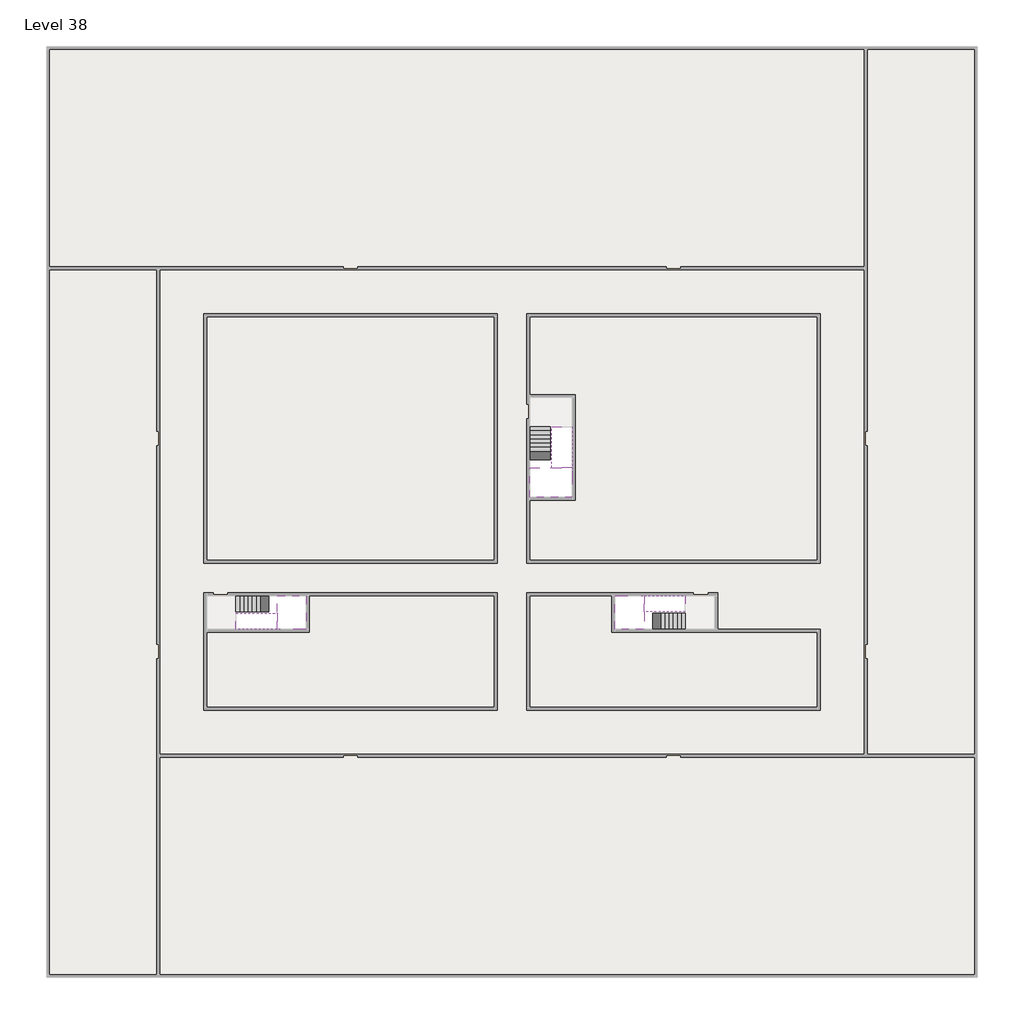
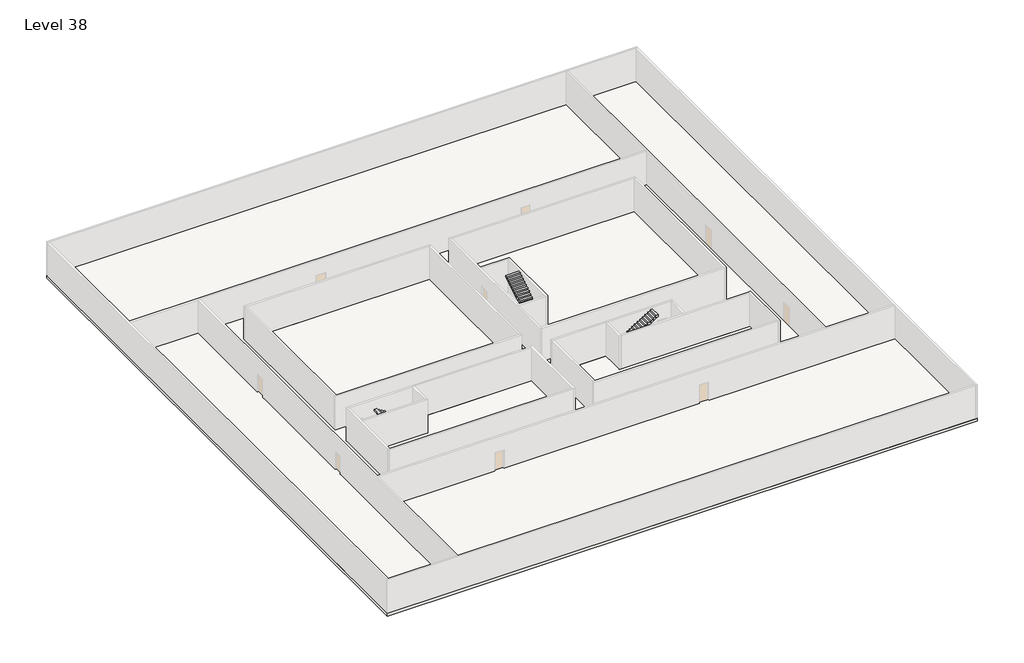
# One storey, part 2 of 2: 6 stair flights, 5 slabs.
"""IFC4 building model written with IfcOpenShell, lengths in millimetres."""

from ifc_helpers import new_model, si_unit, frame, origin, place, context, project, spatial, polyline, outline, extrude, faceted_brep, element, save

model = new_model("IFC4")

# Units and contexts
model_context = context("Model", 3, world=origin())
ifc_project = project(units=[si_unit("LENGTHUNIT", "METRE", prefix="MILLI")], contexts=[model_context])

# Site, building, storey
site = spatial("IfcSite", under=ifc_project)
building = spatial("IfcBuilding", under=site)
storey = spatial("IfcBuildingStorey", under=building, Name="Level 38", Elevation=140600.0)

# Slabs
placement = place(None, origin())
element("IfcSlab", 1, at=placement, inside=storey, context=model_context, shape_type="Brep", body=[
    faceted_brep([(8190.1058784, -42918.09644, 142500.0), (8190.1058784, -44018.09644, 142500.0), (8190.1058784, -44118.09644, 142500.0), (8190.1058784, -45218.09644, 142500.0), (8390.7194421, -45218.09644, 142500.0), (10190.1058784, -45218.09644, 142500.0), (10190.1058784, -42918.09644, 142500.0), (8269.4923146, -42918.09644, 142500.0), (8190.1058784, -42918.09644, 142327.2727273), (8190.1058784, -42918.09644, 142151.0278478), (8190.1058784, -44018.09644, 142151.0278478), (8190.1058784, -44018.09644, 142200.0), (8190.1058784, -44118.09644, 142200.0), (8190.1058784, -44118.09644, 142323.7551205), (8190.1058784, -45218.09644, 142323.7551205), (8390.7194421, -45218.09644, 142200.0), (10190.1058784, -45218.09644, 142200.0), (10190.1058784, -42918.09644, 142200.0), (8269.4923146, -42918.09644, 142200.0), (8390.7194421, -44118.09644, 142200.0), (8269.4923146, -44018.09644, 142200.0)], [[[0, 1, 2, 3, 4, 5, 6, 7]], [[1, 0, 8, 9, 10, 11]], [[2, 1, 11, 12, 13]], [[3, 2, 13, 14]], [[3, 14, 15, 16, 5, 4]], [[6, 5, 16, 17]], [[9, 8, 0, 7, 6, 17, 18]], [[19, 12, 11, 20, 18, 17, 16, 15]], [[12, 19, 13]], [[18, 20, 10, 9]], [[20, 11, 10]], [[19, 15, 14, 13]]]),
])
element("IfcSlab", 2, at=placement, inside=storey, context=model_context, shape_type="Brep", body=[
    faceted_brep([(33190.1058784, -45218.09644, 142500.0), (33190.1058784, -44118.09644, 142500.0), (33190.1058784, -44018.09644, 142500.0), (33190.1058784, -42918.09644, 142500.0), (32989.4923146, -42918.09644, 142500.0), (31190.1058784, -42918.09644, 142500.0), (31190.1058784, -45218.09644, 142500.0), (33110.7194421, -45218.09644, 142500.0), (33190.1058784, -45218.09644, 142327.2727273), (33190.1058784, -45218.09644, 142151.0278478), (33190.1058784, -44118.09644, 142151.0278478), (33190.1058784, -44118.09644, 142200.0), (33190.1058784, -44018.09644, 142200.0), (33190.1058784, -44018.09644, 142323.7551205), (33190.1058784, -42918.09644, 142323.7551205), (32989.4923146, -42918.09644, 142200.0), (31190.1058784, -42918.09644, 142200.0), (31190.1058784, -45218.09644, 142200.0), (33110.7194421, -45218.09644, 142200.0), (32989.4923146, -44018.09644, 142200.0), (33110.7194421, -44118.09644, 142200.0)], [[[0, 1, 2, 3, 4, 5, 6, 7]], [[1, 0, 8, 9, 10, 11]], [[2, 1, 11, 12, 13]], [[3, 2, 13, 14]], [[3, 14, 15, 16, 5, 4]], [[6, 5, 16, 17]], [[9, 8, 0, 7, 6, 17, 18]], [[19, 12, 11, 20, 18, 17, 16, 15]], [[12, 19, 13]], [[18, 20, 10, 9]], [[20, 11, 10]], [[19, 15, 14, 13]]]),
])
element("IfcSlab", 3, at=placement, inside=storey, context=model_context, shape_type="Brep", body=[
    faceted_brep([(26790.1058784, -34218.09644, 142500.0), (25390.1058784, -34218.09644, 142500.0), (25390.1058784, -34297.4828763, 142500.0), (25390.1058784, -36218.09644, 142500.0), (28290.1058784, -36218.09644, 142500.0), (28290.1058784, -34418.7100038, 142500.0), (28290.1058784, -34218.09644, 142500.0), (26890.1058784, -34218.09644, 142500.0), (26790.1058784, -34218.09644, 142200.0), (26790.1058784, -34218.09644, 142151.0278478), (25390.1058784, -34218.09644, 142151.0278478), (25390.1058784, -34218.09644, 142327.2727273), (25390.1058784, -34297.4828763, 142200.0), (25390.1058784, -36218.09644, 142200.0), (28290.1058784, -36218.09644, 142200.0), (28290.1058784, -34418.7100038, 142200.0), (28290.1058784, -34218.09644, 142323.7551205), (26890.1058784, -34218.09644, 142323.7551205), (26890.1058784, -34218.09644, 142200.0), (26890.1058784, -34418.7100038, 142200.0), (26790.1058784, -34297.4828763, 142200.0)], [[[0, 1, 2, 3, 4, 5, 6, 7]], [[1, 0, 8, 9, 10, 11]], [[1, 11, 10, 12, 13, 3, 2]], [[4, 3, 13, 14]], [[4, 14, 15, 16, 6, 5]], [[7, 6, 16, 17]], [[0, 7, 17, 18, 8]], [[18, 19, 15, 14, 13, 12, 20, 8]], [[19, 18, 17]], [[20, 12, 10, 9]], [[8, 20, 9]], [[15, 19, 17, 16]]]),
])
element("IfcSlab", 4, at=placement, inside=storey, context=model_context, shape_type="SweptSolid", body=[
    extrude(outline(polyline([(55890.1058784, -5518.09644), (55890.1058784, -68918.09644), (-7509.8941216, -68918.09644), (-7509.8941216, -5518.09644), (55890.1058784, -5518.09644)]), holes=[polyline([(22990.1058784, -23918.09644), (3390.1058784, -23918.09644), (3390.1058784, -40518.09644), (22990.1058784, -40518.09644), (22990.1058784, -23918.09644)]), polyline([(44990.1058784, -23918.09644), (25390.1058784, -23918.09644), (25390.1058784, -40518.09644), (44990.1058784, -40518.09644), (44990.1058784, -23918.09644)]), polyline([(37990.1058784, -42918.09644), (25390.1058784, -42918.09644), (25390.1058784, -50518.09644), (44990.1058784, -50518.09644), (44990.1058784, -45418.09644), (37990.1058784, -45418.09644), (37990.1058784, -42918.09644)]), polyline([(22990.1058784, -42918.09644), (3390.1058784, -42918.09644), (3390.1058784, -50518.09644), (22990.1058784, -50518.09644), (22990.1058784, -42918.09644)])]), frame((0.0, 0.0, 140300.0), z_axis=(0.0, 0.0, 1.0), x_axis=(1.0, 0.0, 0.0)), (0.0, 0.0, 1.0), 300.0),
])
element("IfcSlab", 5, at=placement, inside=storey, context=model_context, shape_type="SweptSolid", body=[
    extrude(outline(polyline([(22990.1058784, -23918.09644), (22990.1058784, -40518.09644), (3390.1058784, -40518.09644), (3390.1058784, -23918.09644), (22990.1058784, -23918.09644)])), frame((0.0, 0.0, 140300.0), z_axis=(0.0, 0.0, 1.0), x_axis=(1.0, 0.0, 0.0)), (0.0, 0.0, 1.0), 300.0),
    extrude(outline(polyline([(44990.1058784, -23918.09644), (44990.1058784, -40518.09644), (25390.1058784, -40518.09644), (25390.1058784, -36418.09644), (28490.1058784, -36418.09644), (28490.1058784, -29218.09644), (25390.1058784, -29218.09644), (25390.1058784, -23918.09644), (44990.1058784, -23918.09644)])), frame((0.0, 0.0, 140300.0), z_axis=(0.0, 0.0, 1.0), x_axis=(1.0, 0.0, 0.0)), (0.0, 0.0, 1.0), 300.0),
    extrude(outline(polyline([(22990.1058784, -42918.09644), (22990.1058784, -50518.09644), (3390.1058784, -50518.09644), (3390.1058784, -45418.09644), (10390.1058784, -45418.09644), (10390.1058784, -42918.09644), (22990.1058784, -42918.09644)])), frame((0.0, 0.0, 140300.0), z_axis=(0.0, 0.0, 1.0), x_axis=(1.0, 0.0, 0.0)), (0.0, 0.0, 1.0), 300.0),
    extrude(outline(polyline([(30990.1058784, -42918.09644), (30990.1058784, -45418.09644), (44990.1058784, -45418.09644), (44990.1058784, -50518.09644), (25390.1058784, -50518.09644), (25390.1058784, -42918.09644), (30990.1058784, -42918.09644)])), frame((0.0, 0.0, 140300.0), z_axis=(0.0, 0.0, 1.0), x_axis=(1.0, 0.0, 0.0)), (0.0, 0.0, 1.0), 300.0),
])

# Stair flights
element("IfcStairFlight", 6, at=placement, inside=storey, context=model_context, shape_type="Brep", body=[
    faceted_brep([(5670.1058784, -42918.09644, 140772.7272727), (5390.1058784, -42918.09644, 140772.7272727), (5390.1058784, -44018.09644, 140772.7272727), (5670.1058784, -44018.09644, 140772.7272727), (5670.1058784, -42918.09644, 140600.0), (5390.1058784, -42918.09644, 140600.0), (5390.1058784, -44018.09644, 140600.0), (5670.1058784, -44018.09644, 140600.0), (5950.1058784, -42918.09644, 140945.4545455), (5670.1058784, -42918.09644, 140945.4545455), (5670.1058784, -44018.09644, 140945.4545455), (5950.1058784, -44018.09644, 140945.4545455), (5950.1058784, -42918.09644, 140769.209666), (5675.8081041, -42918.09644, 140600.0), (5675.8081041, -44018.09644, 140600.0), (5950.1058784, -44018.09644, 140769.209666), (6230.1058784, -42918.09644, 141118.1818182), (5950.1058784, -42918.09644, 141118.1818182), (5950.1058784, -44018.09644, 141118.1818182), (6230.1058784, -44018.09644, 141118.1818182), (6230.1058784, -42918.09644, 140941.9369387), (6230.1058784, -44018.09644, 140941.9369387), (6510.1058784, -42918.09644, 141290.9090909), (6230.1058784, -42918.09644, 141290.9090909), (6230.1058784, -44018.09644, 141290.9090909), (6510.1058784, -44018.09644, 141290.9090909), (6510.1058784, -42918.09644, 141114.6642114), (6510.1058784, -44018.09644, 141114.6642114), (6790.1058784, -42918.09644, 141463.6363636), (6510.1058784, -42918.09644, 141463.6363636), (6510.1058784, -44018.09644, 141463.6363636), (6790.1058784, -44018.09644, 141463.6363636), (6790.1058784, -42918.09644, 141287.3914841), (6790.1058784, -44018.09644, 141287.3914841), (7070.1058784, -42918.09644, 141636.3636364), (6790.1058784, -42918.09644, 141636.3636364), (6790.1058784, -44018.09644, 141636.3636364), (7070.1058784, -44018.09644, 141636.3636364), (7070.1058784, -42918.09644, 141460.1187569), (7070.1058784, -44018.09644, 141460.1187569), (7350.1058784, -42918.09644, 141809.0909091), (7070.1058784, -42918.09644, 141809.0909091), (7070.1058784, -44018.09644, 141809.0909091), (7350.1058784, -44018.09644, 141809.0909091), (7350.1058784, -42918.09644, 141632.8460296), (7350.1058784, -44018.09644, 141632.8460296), (7630.1058784, -42918.09644, 141981.8181818), (7350.1058784, -42918.09644, 141981.8181818), (7350.1058784, -44018.09644, 141981.8181818), (7630.1058784, -44018.09644, 141981.8181818), (7630.1058784, -42918.09644, 141805.5733023), (7630.1058784, -44018.09644, 141805.5733023), (7910.1058784, -42918.09644, 142154.5454545), (7630.1058784, -42918.09644, 142154.5454545), (7630.1058784, -44018.09644, 142154.5454545), (7910.1058784, -44018.09644, 142154.5454545), (7910.1058784, -42918.09644, 141978.3005751), (7910.1058784, -44018.09644, 141978.3005751), (8190.1058784, -42918.09644, 142327.2727273), (7910.1058784, -42918.09644, 142327.2727273), (7910.1058784, -44018.09644, 142327.2727273), (8190.1058784, -44018.09644, 142327.2727273), (8190.1058784, -42918.09644, 142151.0278478), (8190.1058784, -44018.09644, 142151.0278478), (8190.1058784, -44018.09644, 142200.0)], [[[0, 1, 2, 3]], [[1, 0, 4, 5]], [[2, 1, 5, 6]], [[3, 2, 6, 7]], [[8, 9, 10, 11]], [[4, 0, 9, 8, 12, 13]], [[0, 3, 10, 9]], [[3, 7, 14, 15, 11, 10]], [[16, 17, 18, 19]], [[17, 16, 20, 12, 8]], [[8, 11, 18, 17]], [[19, 18, 11, 15, 21]], [[22, 23, 24, 25]], [[23, 22, 26, 20, 16]], [[16, 19, 24, 23]], [[25, 24, 19, 21, 27]], [[28, 29, 30, 31]], [[29, 28, 32, 26, 22]], [[22, 25, 30, 29]], [[31, 30, 25, 27, 33]], [[34, 35, 36, 37]], [[35, 34, 38, 32, 28]], [[28, 31, 36, 35]], [[37, 36, 31, 33, 39]], [[40, 41, 42, 43]], [[41, 40, 44, 38, 34]], [[34, 37, 42, 41]], [[43, 42, 37, 39, 45]], [[46, 47, 48, 49]], [[47, 46, 50, 44, 40]], [[40, 43, 48, 47]], [[49, 48, 43, 45, 51]], [[52, 53, 54, 55]], [[53, 52, 56, 50, 46]], [[46, 49, 54, 53]], [[55, 54, 49, 51, 57]], [[58, 59, 60, 61]], [[59, 58, 62, 56, 52]], [[52, 55, 60, 59]], [[61, 60, 55, 57, 63, 64]], [[58, 61, 64, 63, 62]], [[5, 4, 13, 14, 7, 6]], [[14, 13, 12, 20, 26, 32, 38, 44, 50, 56, 62, 63, 57, 51, 45, 39, 33, 27, 21, 15]]]),
])
element("IfcStairFlight", 7, at=placement, inside=storey, context=model_context, shape_type="Brep", body=[
    faceted_brep([(7910.1058784, -45218.09644, 142672.7272727), (8190.1058784, -45218.09644, 142672.7272727), (8190.1058784, -44118.09644, 142672.7272727), (7910.1058784, -44118.09644, 142672.7272727), (7910.1058784, -45218.09644, 142496.4823932), (8190.1058784, -45218.09644, 142323.7551205), (8190.1058784, -45218.09644, 142500.0), (8190.1058784, -44118.09644, 142323.7551205), (7910.1058784, -44118.09644, 142496.4823932), (7630.1058784, -45218.09644, 142845.4545455), (7910.1058784, -45218.09644, 142845.4545455), (7910.1058784, -44118.09644, 142845.4545455), (7630.1058784, -44118.09644, 142845.4545455), (7630.1058784, -45218.09644, 142669.209666), (7630.1058784, -44118.09644, 142669.209666), (7350.1058784, -45218.09644, 143018.1818182), (7630.1058784, -45218.09644, 143018.1818182), (7630.1058784, -44118.09644, 143018.1818182), (7350.1058784, -44118.09644, 143018.1818182), (7350.1058784, -45218.09644, 142841.9369387), (7350.1058784, -44118.09644, 142841.9369387), (7070.1058784, -45218.09644, 143190.9090909), (7350.1058784, -45218.09644, 143190.9090909), (7350.1058784, -44118.09644, 143190.9090909), (7070.1058784, -44118.09644, 143190.9090909), (7070.1058784, -45218.09644, 143014.6642114), (7070.1058784, -44118.09644, 143014.6642114), (6790.1058784, -45218.09644, 143363.6363636), (7070.1058784, -45218.09644, 143363.6363636), (7070.1058784, -44118.09644, 143363.6363636), (6790.1058784, -44118.09644, 143363.6363636), (6790.1058784, -45218.09644, 143187.3914841), (6790.1058784, -44118.09644, 143187.3914841), (6510.1058784, -45218.09644, 143536.3636364), (6790.1058784, -45218.09644, 143536.3636364), (6790.1058784, -44118.09644, 143536.3636364), (6510.1058784, -44118.09644, 143536.3636364), (6510.1058784, -45218.09644, 143360.1187569), (6510.1058784, -44118.09644, 143360.1187569), (6230.1058784, -45218.09644, 143709.0909091), (6510.1058784, -45218.09644, 143709.0909091), (6510.1058784, -44118.09644, 143709.0909091), (6230.1058784, -44118.09644, 143709.0909091), (6230.1058784, -45218.09644, 143532.8460296), (6230.1058784, -44118.09644, 143532.8460296), (5950.1058784, -45218.09644, 143881.8181818), (6230.1058784, -45218.09644, 143881.8181818), (6230.1058784, -44118.09644, 143881.8181818), (5950.1058784, -44118.09644, 143881.8181818), (5950.1058784, -45218.09644, 143705.5733023), (5950.1058784, -44118.09644, 143705.5733023), (5670.1058784, -45218.09644, 144054.5454545), (5950.1058784, -45218.09644, 144054.5454545), (5950.1058784, -44118.09644, 144054.5454545), (5670.1058784, -44118.09644, 144054.5454545), (5670.1058784, -45218.09644, 143878.3005751), (5670.1058784, -44118.09644, 143878.3005751), (5390.1058784, -45218.09644, 144227.2727273), (5670.1058784, -45218.09644, 144227.2727273), (5670.1058784, -44118.09644, 144227.2727273), (5390.1058784, -44118.09644, 144227.2727273), (5390.1058784, -45218.09644, 144051.0278478), (5390.1058784, -44118.09644, 144051.0278478)], [[[0, 1, 2, 3]], [[1, 0, 4, 5, 6]], [[2, 1, 6, 5, 7]], [[3, 2, 7, 8]], [[9, 10, 11, 12]], [[10, 9, 13, 4, 0]], [[11, 10, 0, 3]], [[12, 11, 3, 8, 14]], [[15, 16, 17, 18]], [[16, 15, 19, 13, 9]], [[17, 16, 9, 12]], [[18, 17, 12, 14, 20]], [[21, 22, 23, 24]], [[22, 21, 25, 19, 15]], [[23, 22, 15, 18]], [[24, 23, 18, 20, 26]], [[27, 28, 29, 30]], [[28, 27, 31, 25, 21]], [[29, 28, 21, 24]], [[30, 29, 24, 26, 32]], [[33, 34, 35, 36]], [[34, 33, 37, 31, 27]], [[35, 34, 27, 30]], [[36, 35, 30, 32, 38]], [[39, 40, 41, 42]], [[40, 39, 43, 37, 33]], [[41, 40, 33, 36]], [[42, 41, 36, 38, 44]], [[45, 46, 47, 48]], [[46, 45, 49, 43, 39]], [[47, 46, 39, 42]], [[48, 47, 42, 44, 50]], [[51, 52, 53, 54]], [[52, 51, 55, 49, 45]], [[53, 52, 45, 48]], [[54, 53, 48, 50, 56]], [[57, 58, 59, 60]], [[58, 57, 61, 55, 51]], [[59, 58, 51, 54]], [[60, 59, 54, 56, 62]], [[57, 60, 62, 61]], [[5, 4, 13, 19, 25, 31, 37, 43, 49, 55, 61, 62, 56, 50, 44, 38, 32, 26, 20, 14, 8, 7]]]),
])
element("IfcStairFlight", 8, at=placement, inside=storey, context=model_context, shape_type="Brep", body=[
    faceted_brep([(35710.1058784, -45218.09644, 140772.7272727), (35990.1058784, -45218.09644, 140772.7272727), (35990.1058784, -44118.09644, 140772.7272727), (35710.1058784, -44118.09644, 140772.7272727), (35710.1058784, -45218.09644, 140600.0), (35990.1058784, -45218.09644, 140600.0), (35990.1058784, -44118.09644, 140600.0), (35710.1058784, -44118.09644, 140600.0), (35430.1058784, -45218.09644, 140945.4545455), (35710.1058784, -45218.09644, 140945.4545455), (35710.1058784, -44118.09644, 140945.4545455), (35430.1058784, -44118.09644, 140945.4545455), (35430.1058784, -45218.09644, 140769.209666), (35704.4036527, -45218.09644, 140600.0), (35704.4036527, -44118.09644, 140600.0), (35430.1058784, -44118.09644, 140769.209666), (35150.1058784, -45218.09644, 141118.1818182), (35430.1058784, -45218.09644, 141118.1818182), (35430.1058784, -44118.09644, 141118.1818182), (35150.1058784, -44118.09644, 141118.1818182), (35150.1058784, -45218.09644, 140941.9369387), (35150.1058784, -44118.09644, 140941.9369387), (34870.1058784, -45218.09644, 141290.9090909), (35150.1058784, -45218.09644, 141290.9090909), (35150.1058784, -44118.09644, 141290.9090909), (34870.1058784, -44118.09644, 141290.9090909), (34870.1058784, -45218.09644, 141114.6642114), (34870.1058784, -44118.09644, 141114.6642114), (34590.1058784, -45218.09644, 141463.6363636), (34870.1058784, -45218.09644, 141463.6363636), (34870.1058784, -44118.09644, 141463.6363636), (34590.1058784, -44118.09644, 141463.6363636), (34590.1058784, -45218.09644, 141287.3914841), (34590.1058784, -44118.09644, 141287.3914841), (34310.1058784, -45218.09644, 141636.3636364), (34590.1058784, -45218.09644, 141636.3636364), (34590.1058784, -44118.09644, 141636.3636364), (34310.1058784, -44118.09644, 141636.3636364), (34310.1058784, -45218.09644, 141460.1187569), (34310.1058784, -44118.09644, 141460.1187569), (34030.1058784, -45218.09644, 141809.0909091), (34310.1058784, -45218.09644, 141809.0909091), (34310.1058784, -44118.09644, 141809.0909091), (34030.1058784, -44118.09644, 141809.0909091), (34030.1058784, -45218.09644, 141632.8460296), (34030.1058784, -44118.09644, 141632.8460296), (33750.1058784, -45218.09644, 141981.8181818), (34030.1058784, -45218.09644, 141981.8181818), (34030.1058784, -44118.09644, 141981.8181818), (33750.1058784, -44118.09644, 141981.8181818), (33750.1058784, -45218.09644, 141805.5733023), (33750.1058784, -44118.09644, 141805.5733023), (33470.1058784, -45218.09644, 142154.5454545), (33750.1058784, -45218.09644, 142154.5454545), (33750.1058784, -44118.09644, 142154.5454545), (33470.1058784, -44118.09644, 142154.5454545), (33470.1058784, -45218.09644, 141978.3005751), (33470.1058784, -44118.09644, 141978.3005751), (33190.1058784, -45218.09644, 142327.2727273), (33470.1058784, -45218.09644, 142327.2727273), (33470.1058784, -44118.09644, 142327.2727273), (33190.1058784, -44118.09644, 142327.2727273), (33190.1058784, -45218.09644, 142151.0278478), (33190.1058784, -44118.09644, 142151.0278478), (33190.1058784, -44118.09644, 142200.0)], [[[0, 1, 2, 3]], [[1, 0, 4, 5]], [[2, 1, 5, 6]], [[3, 2, 6, 7]], [[8, 9, 10, 11]], [[4, 0, 9, 8, 12, 13]], [[0, 3, 10, 9]], [[3, 7, 14, 15, 11, 10]], [[16, 17, 18, 19]], [[17, 16, 20, 12, 8]], [[8, 11, 18, 17]], [[19, 18, 11, 15, 21]], [[22, 23, 24, 25]], [[23, 22, 26, 20, 16]], [[16, 19, 24, 23]], [[25, 24, 19, 21, 27]], [[28, 29, 30, 31]], [[29, 28, 32, 26, 22]], [[22, 25, 30, 29]], [[31, 30, 25, 27, 33]], [[34, 35, 36, 37]], [[35, 34, 38, 32, 28]], [[28, 31, 36, 35]], [[37, 36, 31, 33, 39]], [[40, 41, 42, 43]], [[41, 40, 44, 38, 34]], [[34, 37, 42, 41]], [[43, 42, 37, 39, 45]], [[46, 47, 48, 49]], [[47, 46, 50, 44, 40]], [[40, 43, 48, 47]], [[49, 48, 43, 45, 51]], [[52, 53, 54, 55]], [[53, 52, 56, 50, 46]], [[46, 49, 54, 53]], [[55, 54, 49, 51, 57]], [[58, 59, 60, 61]], [[59, 58, 62, 56, 52]], [[52, 55, 60, 59]], [[61, 60, 55, 57, 63, 64]], [[58, 61, 64, 63, 62]], [[5, 4, 13, 14, 7, 6]], [[14, 13, 12, 20, 26, 32, 38, 44, 50, 56, 62, 63, 57, 51, 45, 39, 33, 27, 21, 15]]]),
])
element("IfcStairFlight", 9, at=placement, inside=storey, context=model_context, shape_type="Brep", body=[
    faceted_brep([(33470.1058784, -42918.09644, 142672.7272727), (33190.1058784, -42918.09644, 142672.7272727), (33190.1058784, -44018.09644, 142672.7272727), (33470.1058784, -44018.09644, 142672.7272727), (33470.1058784, -42918.09644, 142496.4823932), (33190.1058784, -42918.09644, 142323.7551205), (33190.1058784, -42918.09644, 142500.0), (33190.1058784, -44018.09644, 142323.7551205), (33470.1058784, -44018.09644, 142496.4823932), (33750.1058784, -42918.09644, 142845.4545455), (33470.1058784, -42918.09644, 142845.4545455), (33470.1058784, -44018.09644, 142845.4545455), (33750.1058784, -44018.09644, 142845.4545455), (33750.1058784, -42918.09644, 142669.209666), (33750.1058784, -44018.09644, 142669.209666), (34030.1058784, -42918.09644, 143018.1818182), (33750.1058784, -42918.09644, 143018.1818182), (33750.1058784, -44018.09644, 143018.1818182), (34030.1058784, -44018.09644, 143018.1818182), (34030.1058784, -42918.09644, 142841.9369387), (34030.1058784, -44018.09644, 142841.9369387), (34310.1058784, -42918.09644, 143190.9090909), (34030.1058784, -42918.09644, 143190.9090909), (34030.1058784, -44018.09644, 143190.9090909), (34310.1058784, -44018.09644, 143190.9090909), (34310.1058784, -42918.09644, 143014.6642114), (34310.1058784, -44018.09644, 143014.6642114), (34590.1058784, -42918.09644, 143363.6363636), (34310.1058784, -42918.09644, 143363.6363636), (34310.1058784, -44018.09644, 143363.6363636), (34590.1058784, -44018.09644, 143363.6363636), (34590.1058784, -42918.09644, 143187.3914841), (34590.1058784, -44018.09644, 143187.3914841), (34870.1058784, -42918.09644, 143536.3636364), (34590.1058784, -42918.09644, 143536.3636364), (34590.1058784, -44018.09644, 143536.3636364), (34870.1058784, -44018.09644, 143536.3636364), (34870.1058784, -42918.09644, 143360.1187569), (34870.1058784, -44018.09644, 143360.1187569), (35150.1058784, -42918.09644, 143709.0909091), (34870.1058784, -42918.09644, 143709.0909091), (34870.1058784, -44018.09644, 143709.0909091), (35150.1058784, -44018.09644, 143709.0909091), (35150.1058784, -42918.09644, 143532.8460296), (35150.1058784, -44018.09644, 143532.8460296), (35430.1058784, -42918.09644, 143881.8181818), (35150.1058784, -42918.09644, 143881.8181818), (35150.1058784, -44018.09644, 143881.8181818), (35430.1058784, -44018.09644, 143881.8181818), (35430.1058784, -42918.09644, 143705.5733023), (35430.1058784, -44018.09644, 143705.5733023), (35710.1058784, -42918.09644, 144054.5454545), (35430.1058784, -42918.09644, 144054.5454545), (35430.1058784, -44018.09644, 144054.5454545), (35710.1058784, -44018.09644, 144054.5454545), (35710.1058784, -42918.09644, 143878.3005751), (35710.1058784, -44018.09644, 143878.3005751), (35990.1058784, -42918.09644, 144227.2727273), (35710.1058784, -42918.09644, 144227.2727273), (35710.1058784, -44018.09644, 144227.2727273), (35990.1058784, -44018.09644, 144227.2727273), (35990.1058784, -42918.09644, 144051.0278478), (35990.1058784, -44018.09644, 144051.0278478)], [[[0, 1, 2, 3]], [[1, 0, 4, 5, 6]], [[2, 1, 6, 5, 7]], [[3, 2, 7, 8]], [[9, 10, 11, 12]], [[10, 9, 13, 4, 0]], [[11, 10, 0, 3]], [[12, 11, 3, 8, 14]], [[15, 16, 17, 18]], [[16, 15, 19, 13, 9]], [[17, 16, 9, 12]], [[18, 17, 12, 14, 20]], [[21, 22, 23, 24]], [[22, 21, 25, 19, 15]], [[23, 22, 15, 18]], [[24, 23, 18, 20, 26]], [[27, 28, 29, 30]], [[28, 27, 31, 25, 21]], [[29, 28, 21, 24]], [[30, 29, 24, 26, 32]], [[33, 34, 35, 36]], [[34, 33, 37, 31, 27]], [[35, 34, 27, 30]], [[36, 35, 30, 32, 38]], [[39, 40, 41, 42]], [[40, 39, 43, 37, 33]], [[41, 40, 33, 36]], [[42, 41, 36, 38, 44]], [[45, 46, 47, 48]], [[46, 45, 49, 43, 39]], [[47, 46, 39, 42]], [[48, 47, 42, 44, 50]], [[51, 52, 53, 54]], [[52, 51, 55, 49, 45]], [[53, 52, 45, 48]], [[54, 53, 48, 50, 56]], [[57, 58, 59, 60]], [[58, 57, 61, 55, 51]], [[59, 58, 51, 54]], [[60, 59, 54, 56, 62]], [[57, 60, 62, 61]], [[5, 4, 13, 19, 25, 31, 37, 43, 49, 55, 61, 62, 56, 50, 44, 38, 32, 26, 20, 14, 8, 7]]]),
])
element("IfcStairFlight", 10, at=placement, inside=storey, context=model_context, shape_type="Brep", body=[
    faceted_brep([(26790.1058784, -31698.09644, 140772.7272727), (26790.1058784, -31418.09644, 140772.7272727), (25390.1058784, -31418.09644, 140772.7272727), (25390.1058784, -31698.09644, 140772.7272727), (26790.1058784, -31698.09644, 140600.0), (26790.1058784, -31418.09644, 140600.0), (25390.1058784, -31418.09644, 140600.0), (25390.1058784, -31698.09644, 140600.0), (26790.1058784, -31978.09644, 140945.4545455), (26790.1058784, -31698.09644, 140945.4545455), (25390.1058784, -31698.09644, 140945.4545455), (25390.1058784, -31978.09644, 140945.4545455), (26790.1058784, -31978.09644, 140769.209666), (26790.1058784, -31703.7986657, 140600.0), (25390.1058784, -31703.7986657, 140600.0), (25390.1058784, -31978.09644, 140769.209666), (26790.1058784, -32258.09644, 141118.1818182), (26790.1058784, -31978.09644, 141118.1818182), (25390.1058784, -31978.09644, 141118.1818182), (25390.1058784, -32258.09644, 141118.1818182), (26790.1058784, -32258.09644, 140941.9369387), (25390.1058784, -32258.09644, 140941.9369387), (26790.1058784, -32538.09644, 141290.9090909), (26790.1058784, -32258.09644, 141290.9090909), (25390.1058784, -32258.09644, 141290.9090909), (25390.1058784, -32538.09644, 141290.9090909), (26790.1058784, -32538.09644, 141114.6642114), (25390.1058784, -32538.09644, 141114.6642114), (26790.1058784, -32818.09644, 141463.6363636), (26790.1058784, -32538.09644, 141463.6363636), (25390.1058784, -32538.09644, 141463.6363636), (25390.1058784, -32818.09644, 141463.6363636), (26790.1058784, -32818.09644, 141287.3914841), (25390.1058784, -32818.09644, 141287.3914841), (26790.1058784, -33098.09644, 141636.3636364), (26790.1058784, -32818.09644, 141636.3636364), (25390.1058784, -32818.09644, 141636.3636364), (25390.1058784, -33098.09644, 141636.3636364), (26790.1058784, -33098.09644, 141460.1187569), (25390.1058784, -33098.09644, 141460.1187569), (26790.1058784, -33378.09644, 141809.0909091), (26790.1058784, -33098.09644, 141809.0909091), (25390.1058784, -33098.09644, 141809.0909091), (25390.1058784, -33378.09644, 141809.0909091), (26790.1058784, -33378.09644, 141632.8460296), (25390.1058784, -33378.09644, 141632.8460296), (26790.1058784, -33658.09644, 141981.8181818), (26790.1058784, -33378.09644, 141981.8181818), (25390.1058784, -33378.09644, 141981.8181818), (25390.1058784, -33658.09644, 141981.8181818), (26790.1058784, -33658.09644, 141805.5733023), (25390.1058784, -33658.09644, 141805.5733023), (26790.1058784, -33938.09644, 142154.5454545), (26790.1058784, -33658.09644, 142154.5454545), (25390.1058784, -33658.09644, 142154.5454545), (25390.1058784, -33938.09644, 142154.5454545), (26790.1058784, -33938.09644, 141978.3005751), (25390.1058784, -33938.09644, 141978.3005751), (26790.1058784, -34218.09644, 142327.2727273), (26790.1058784, -33938.09644, 142327.2727273), (25390.1058784, -33938.09644, 142327.2727273), (25390.1058784, -34218.09644, 142327.2727273), (26790.1058784, -34218.09644, 142200.0), (26790.1058784, -34218.09644, 142151.0278478), (25390.1058784, -34218.09644, 142151.0278478)], [[[0, 1, 2, 3]], [[1, 0, 4, 5]], [[2, 1, 5, 6]], [[3, 2, 6, 7]], [[8, 9, 10, 11]], [[4, 0, 9, 8, 12, 13]], [[0, 3, 10, 9]], [[3, 7, 14, 15, 11, 10]], [[16, 17, 18, 19]], [[17, 16, 20, 12, 8]], [[8, 11, 18, 17]], [[19, 18, 11, 15, 21]], [[22, 23, 24, 25]], [[23, 22, 26, 20, 16]], [[16, 19, 24, 23]], [[25, 24, 19, 21, 27]], [[28, 29, 30, 31]], [[29, 28, 32, 26, 22]], [[22, 25, 30, 29]], [[31, 30, 25, 27, 33]], [[34, 35, 36, 37]], [[35, 34, 38, 32, 28]], [[28, 31, 36, 35]], [[37, 36, 31, 33, 39]], [[40, 41, 42, 43]], [[41, 40, 44, 38, 34]], [[34, 37, 42, 41]], [[43, 42, 37, 39, 45]], [[46, 47, 48, 49]], [[47, 46, 50, 44, 40]], [[40, 43, 48, 47]], [[49, 48, 43, 45, 51]], [[52, 53, 54, 55]], [[53, 52, 56, 50, 46]], [[46, 49, 54, 53]], [[55, 54, 49, 51, 57]], [[58, 59, 60, 61]], [[59, 58, 62, 63, 56, 52]], [[52, 55, 60, 59]], [[61, 60, 55, 57, 64]], [[58, 61, 64, 63, 62]], [[5, 4, 13, 14, 7, 6]], [[14, 13, 12, 20, 26, 32, 38, 44, 50, 56, 63, 64, 57, 51, 45, 39, 33, 27, 21, 15]]]),
])
element("IfcStairFlight", 11, at=placement, inside=storey, context=model_context, shape_type="Brep", body=[
    faceted_brep([(26890.1058784, -33938.09644, 142672.7272727), (26890.1058784, -34218.09644, 142672.7272727), (28290.1058784, -34218.09644, 142672.7272727), (28290.1058784, -33938.09644, 142672.7272727), (26890.1058784, -33938.09644, 142496.4823932), (26890.1058784, -34218.09644, 142323.7551205), (28290.1058784, -34218.09644, 142323.7551205), (28290.1058784, -34218.09644, 142500.0), (28290.1058784, -33938.09644, 142496.4823932), (26890.1058784, -33658.09644, 142845.4545455), (26890.1058784, -33938.09644, 142845.4545455), (28290.1058784, -33938.09644, 142845.4545455), (28290.1058784, -33658.09644, 142845.4545455), (26890.1058784, -33658.09644, 142669.209666), (28290.1058784, -33658.09644, 142669.209666), (26890.1058784, -33378.09644, 143018.1818182), (26890.1058784, -33658.09644, 143018.1818182), (28290.1058784, -33658.09644, 143018.1818182), (28290.1058784, -33378.09644, 143018.1818182), (26890.1058784, -33378.09644, 142841.9369387), (28290.1058784, -33378.09644, 142841.9369387), (26890.1058784, -33098.09644, 143190.9090909), (26890.1058784, -33378.09644, 143190.9090909), (28290.1058784, -33378.09644, 143190.9090909), (28290.1058784, -33098.09644, 143190.9090909), (26890.1058784, -33098.09644, 143014.6642114), (28290.1058784, -33098.09644, 143014.6642114), (26890.1058784, -32818.09644, 143363.6363636), (26890.1058784, -33098.09644, 143363.6363636), (28290.1058784, -33098.09644, 143363.6363636), (28290.1058784, -32818.09644, 143363.6363636), (26890.1058784, -32818.09644, 143187.3914841), (28290.1058784, -32818.09644, 143187.3914841), (26890.1058784, -32538.09644, 143536.3636364), (26890.1058784, -32818.09644, 143536.3636364), (28290.1058784, -32818.09644, 143536.3636364), (28290.1058784, -32538.09644, 143536.3636364), (26890.1058784, -32538.09644, 143360.1187569), (28290.1058784, -32538.09644, 143360.1187569), (26890.1058784, -32258.09644, 143709.0909091), (26890.1058784, -32538.09644, 143709.0909091), (28290.1058784, -32538.09644, 143709.0909091), (28290.1058784, -32258.09644, 143709.0909091), (26890.1058784, -32258.09644, 143532.8460296), (28290.1058784, -32258.09644, 143532.8460296), (26890.1058784, -31978.09644, 143881.8181818), (26890.1058784, -32258.09644, 143881.8181818), (28290.1058784, -32258.09644, 143881.8181818), (28290.1058784, -31978.09644, 143881.8181818), (26890.1058784, -31978.09644, 143705.5733023), (28290.1058784, -31978.09644, 143705.5733023), (26890.1058784, -31698.09644, 144054.5454545), (26890.1058784, -31978.09644, 144054.5454545), (28290.1058784, -31978.09644, 144054.5454545), (28290.1058784, -31698.09644, 144054.5454545), (26890.1058784, -31698.09644, 143878.3005751), (28290.1058784, -31698.09644, 143878.3005751), (26890.1058784, -31418.09644, 144227.2727273), (26890.1058784, -31698.09644, 144227.2727273), (28290.1058784, -31698.09644, 144227.2727273), (28290.1058784, -31418.09644, 144227.2727273), (26890.1058784, -31418.09644, 144051.0278478), (28290.1058784, -31418.09644, 144051.0278478)], [[[0, 1, 2, 3]], [[1, 0, 4, 5]], [[2, 1, 5, 6, 7]], [[3, 2, 7, 6, 8]], [[9, 10, 11, 12]], [[10, 9, 13, 4, 0]], [[11, 10, 0, 3]], [[12, 11, 3, 8, 14]], [[15, 16, 17, 18]], [[16, 15, 19, 13, 9]], [[17, 16, 9, 12]], [[18, 17, 12, 14, 20]], [[21, 22, 23, 24]], [[22, 21, 25, 19, 15]], [[23, 22, 15, 18]], [[24, 23, 18, 20, 26]], [[27, 28, 29, 30]], [[28, 27, 31, 25, 21]], [[29, 28, 21, 24]], [[30, 29, 24, 26, 32]], [[33, 34, 35, 36]], [[34, 33, 37, 31, 27]], [[35, 34, 27, 30]], [[36, 35, 30, 32, 38]], [[39, 40, 41, 42]], [[40, 39, 43, 37, 33]], [[41, 40, 33, 36]], [[42, 41, 36, 38, 44]], [[45, 46, 47, 48]], [[46, 45, 49, 43, 39]], [[47, 46, 39, 42]], [[48, 47, 42, 44, 50]], [[51, 52, 53, 54]], [[52, 51, 55, 49, 45]], [[53, 52, 45, 48]], [[54, 53, 48, 50, 56]], [[57, 58, 59, 60]], [[58, 57, 61, 55, 51]], [[59, 58, 51, 54]], [[60, 59, 54, 56, 62]], [[57, 60, 62, 61]], [[5, 4, 13, 19, 25, 31, 37, 43, 49, 55, 61, 62, 56, 50, 44, 38, 32, 26, 20, 14, 8, 6]]]),
])

save(model, "model.ifc")
